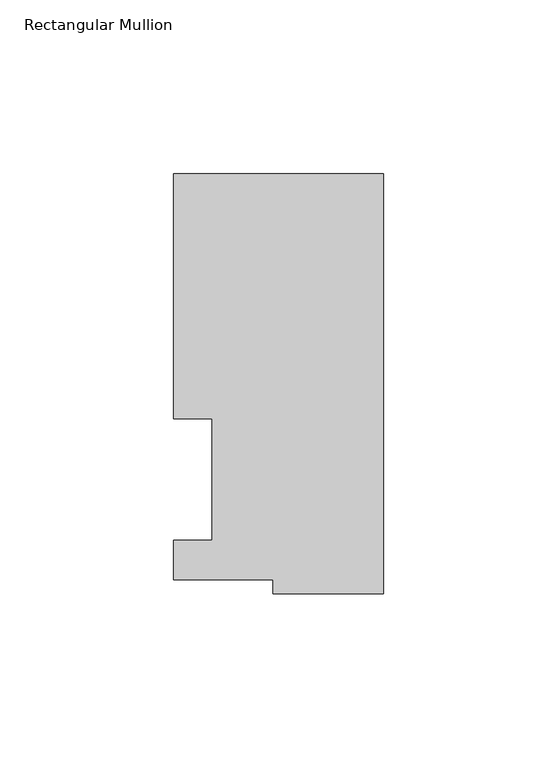
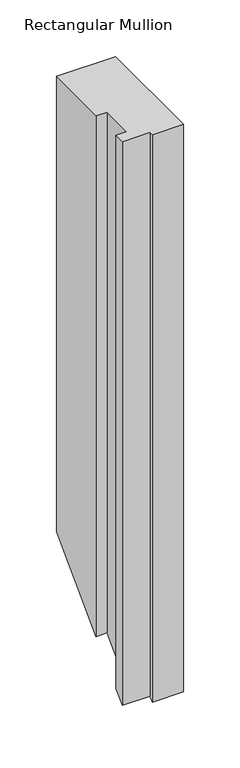
"""IFC4 building model written with IfcOpenShell, lengths in millimetres: member geometry, Rectangular Mullion."""

from ifc_helpers import new_model, si_unit, origin, place, context, project, spatial, faceted_brep, source, transform, mapped, element, save


def rectangular_mullion_e1b6a90c(model_context):
    return source(origin(), model_context, "Body", "Brep", [
        faceted_brep([(-60.325, 117.4859878, 0.0), (-60.325, 47.0517878, 0.0), (-49.2252, 47.0517878, 0.0), (-49.2252, 12.1267878, 0.0), (-60.325, 12.1267878, 0.0), (-60.325, 0.7221701, 0.0), (-31.75, 0.7221701, 0.0), (-31.75, -3.3164122, 0.0), (0.0, -3.3164122, 0.0), (0.0, 117.4859878, 0.0), (-60.325, 117.4859878, -492.1140122), (-60.325, 47.0517878, -562.5482122), (-49.2252, 47.0517878, -562.5482122), (-49.2252, 12.1267878, -597.4732122), (-60.325, 12.1267878, -597.4732122), (-60.325, 0.7221701, -608.8778299), (-31.75, 0.7221701, -608.8778299), (-31.75, -3.3164122, -612.9164122), (0.0, -3.3164122, -612.9164122), (0.0, 117.4859878, -492.1140122)], [[[0, 1, 2, 3, 4, 5, 6, 7, 8, 9]], [[1, 0, 10, 11]], [[2, 1, 11, 12]], [[3, 2, 12, 13]], [[4, 3, 13, 14]], [[5, 4, 14, 15]], [[6, 5, 15, 16]], [[7, 6, 16, 17]], [[8, 7, 17, 18]], [[9, 8, 18, 19]], [[0, 9, 19, 10]], [[10, 19, 18, 17, 16, 15, 14, 13, 12, 11]]]),
    ])


if __name__ == "__main__":
    model = new_model("IFC4")
    model_context = context("Model", 3, world=origin())
    ifc_project = project(units=[si_unit("LENGTHUNIT", "METRE", prefix="MILLI")], contexts=[model_context])
    site = spatial("IfcSite", under=ifc_project)
    building = spatial("IfcBuilding", under=site)
    placement = place(None, origin())
    rectangular_mullion_shape = rectangular_mullion_e1b6a90c(model_context)
    element("IfcMember", 1, ObjectType="Rectangular Mullion", at=placement, inside=building, context=model_context, shape_type="MappedRepresentation", body=[
        mapped(rectangular_mullion_shape, transform((0.0, 0.0, 0.0), x_axis=(1.0, 0.0, 0.0), y_axis=(0.0, 1.0, 0.0), z_axis=(0.0, 0.0, 1.0))),
    ])
    save(model, "model.ifc")
